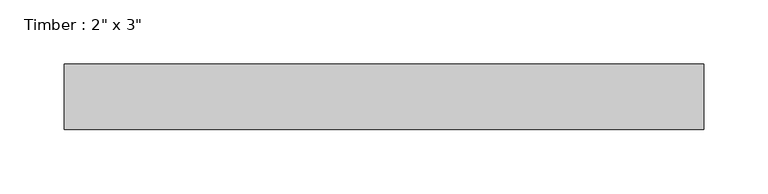
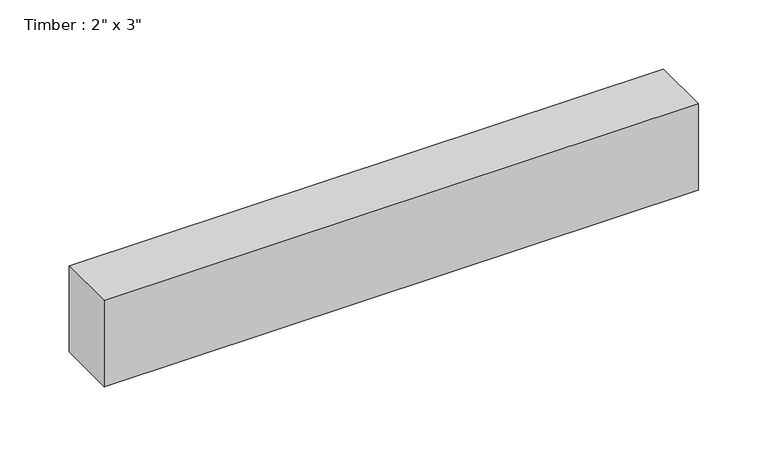
"""IFC4 building model written with IfcOpenShell, lengths in millimetres: beam geometry."""

from ifc_helpers import new_model, si_unit, frame, origin, place, context, project, spatial, polyline, outline, extrude, source, transform, mapped, element, save


def beam_c725cf68(model_context):
    return source(origin(), model_context, "Body", "SweptSolid", [
        extrude(outline(polyline([(248.4157982, -25.4), (-248.4157982, -25.4), (-248.4157982, 25.4), (248.4157982, 25.4), (248.4157982, -25.4)])), frame((0.0, 0.0, -38.1), z_axis=(0.0, 0.0, 1.0), x_axis=(1.0, 0.0, 0.0)), (0.0, 0.0, 1.0), 76.2),
    ])


if __name__ == "__main__":
    model = new_model("IFC4")
    model_context = context("Model", 3, world=origin())
    ifc_project = project(units=[si_unit("LENGTHUNIT", "METRE", prefix="MILLI")], contexts=[model_context])
    site = spatial("IfcSite", under=ifc_project)
    building = spatial("IfcBuilding", under=site)
    placement = place(None, origin())
    beam_shape = beam_c725cf68(model_context)
    element("IfcBeam", 1, ObjectType="Timber : 2\" x 3\"", at=placement, inside=building, context=model_context, shape_type="MappedRepresentation", body=[
        mapped(beam_shape, transform((0.0, 0.0, 0.0), x_axis=(1.0, 0.0, 0.0), y_axis=(0.0, 1.0, 0.0), z_axis=(0.0, 0.0, 1.0))),
    ])
    save(model, "model.ifc")
